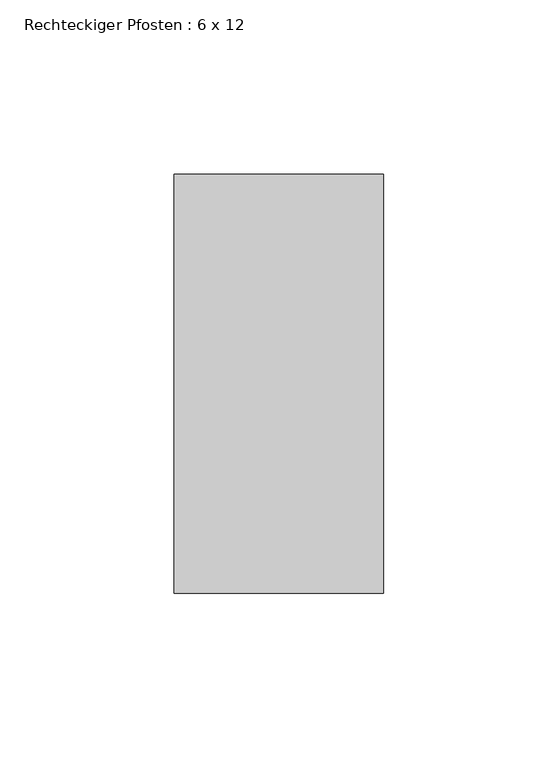
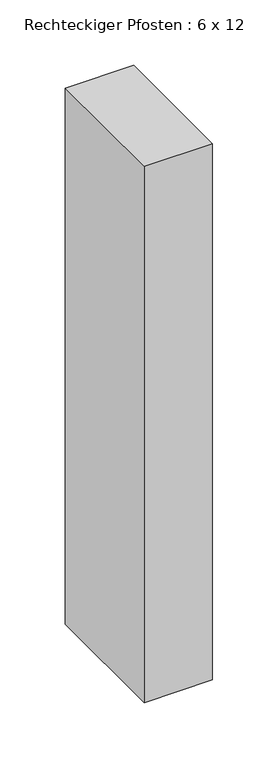
"""IFC4 building model written with IfcOpenShell, lengths in millimetres: member geometry, Rechteckiger Pfosten : 6 x 12."""

from ifc_helpers import new_model, si_unit, frame, origin, place, context, project, spatial, polyline, outline, extrude, source, transform, mapped, element, save


def rechteckiger_pfosten_6_x_12_57de19b3(model_context):
    return source(origin(), model_context, "Body", "SweptSolid", [
        extrude(outline(polyline([(30.0, 60.0), (30.0, -60.0), (-30.0, -60.0), (-30.0, 60.0), (30.0, 60.0)])), frame((0.0, 0.0, -500.0), z_axis=(0.0, 0.0, 1.0), x_axis=(1.0, 0.0, 0.0)), (0.0, 0.0, 1.0), 500.0),
    ])


if __name__ == "__main__":
    model = new_model("IFC4")
    model_context = context("Model", 3, world=origin())
    ifc_project = project(units=[si_unit("LENGTHUNIT", "METRE", prefix="MILLI")], contexts=[model_context])
    site = spatial("IfcSite", under=ifc_project)
    building = spatial("IfcBuilding", under=site)
    placement = place(None, origin())
    rechteckiger_pfosten_6_x_12_shape = rechteckiger_pfosten_6_x_12_57de19b3(model_context)
    element("IfcMember", 1, ObjectType="Rechteckiger Pfosten : 6 x 12", at=placement, inside=building, context=model_context, shape_type="MappedRepresentation", body=[
        mapped(rechteckiger_pfosten_6_x_12_shape, transform((0.0, 0.0, 0.0), x_axis=(1.0, 0.0, 0.0), y_axis=(0.0, 1.0, 0.0), z_axis=(0.0, 0.0, 1.0))),
    ])
    save(model, "model.ifc")
